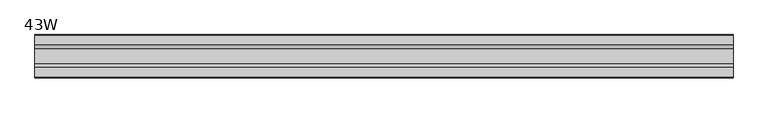
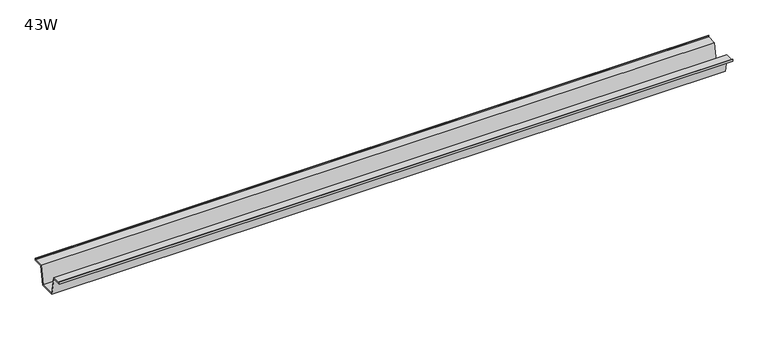
"""IFC4 building model written with IfcOpenShell, lengths in millimetres: furniture geometry, 43W."""

from ifc_helpers import new_model, si_unit, frame, origin, place, context, project, spatial, polyline, outline, extrude, source, transform, mapped, element, save


def furniture_43w_fef09162(model_context):
    return source(origin(), model_context, "Body", "SweptSolid", [
        extrude(outline(polyline([(-22.9397721, 703.834), (-28.502372, 673.6080007), (-53.9023728, 673.6080007), (-59.4649727, 703.834), (-75.3653716, 703.834), (-75.3653716, 707.009), (-74.5716216, 707.009), (-74.5716216, 704.62775), (-58.8172994, 704.62775), (-53.2546995, 674.4017507), (-29.1500453, 674.4017507), (-23.5874454, 704.62775), (-7.8331232, 704.62775), (-7.8331232, 707.009), (-7.0393732, 707.009), (-7.0393732, 703.834), (-22.9397721, 703.834)])), frame((-549.91, 0.0, 0.0), z_axis=(1.0, 0.0, 0.0), x_axis=(0.0, 1.0, 0.0)), (0.0, 0.0, 1.0), 1099.82),
    ])


if __name__ == "__main__":
    model = new_model("IFC4")
    model_context = context("Model", 3, world=origin())
    ifc_project = project(units=[si_unit("LENGTHUNIT", "METRE", prefix="MILLI")], contexts=[model_context])
    site = spatial("IfcSite", under=ifc_project)
    building = spatial("IfcBuilding", under=site)
    placement = place(None, origin())
    furniture_43w_shape = furniture_43w_fef09162(model_context)
    element("IfcFurniture", 1, ObjectType="43W", at=placement, inside=building, context=model_context, shape_type="MappedRepresentation", body=[
        mapped(furniture_43w_shape, transform((0.0, 0.0, 0.0), x_axis=(1.0, 0.0, 0.0), y_axis=(0.0, 1.0, 0.0), z_axis=(0.0, 0.0, 1.0))),
    ])
    save(model, "model.ifc")
